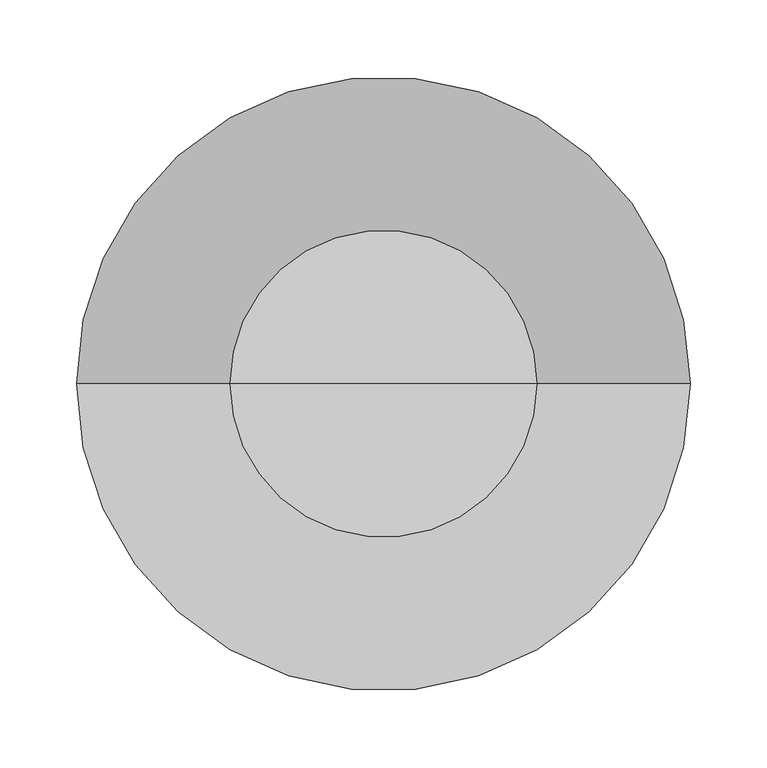
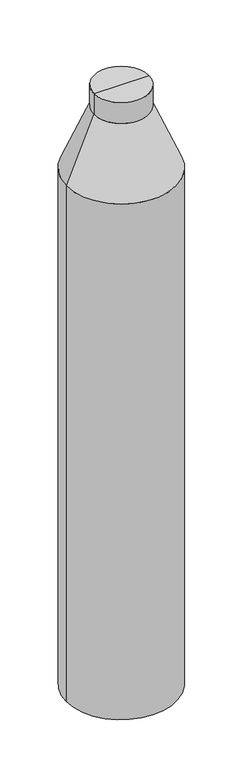
"""IFC4 building model written with IfcOpenShell, lengths in millimetres: column geometry."""

from ifc_helpers import new_model, si_unit, frame, origin, place, context, project, spatial, polyline, circle_curve, source, transform, mapped, element, save
from ifc_brep_helpers import plane_surface, cylinder_surface, revolved_surface, advanced_brep


def column_2cab5a3e(model_context):
    return source(origin(), model_context, "Body", "AdvancedBrep", [
        advanced_brep(
        [(-200.0, 0.0, -614.125), (-200.0, 0.0, -2599.125), (200.0, 0.0, -2599.125), (200.0, 0.0, -614.125), (0.0, 0.0, -2599.125), (-100.0, 0.0, -374.125), (100.0, 0.0, -374.125), (-100.0, 0.0, -294.125), (100.0, 0.0, -294.125), (0.0, 0.0, -294.125)],
        [
            (0, 1),
            (1, 2, circle_curve(frame((0.0, 0.0, -2599.125), z_axis=(0.0, 0.0, 1.0), x_axis=(1.0, 0.0, 0.0)), 200.0)),
            (2, 3),
            (3, 0, circle_curve(frame((0.0, 0.0, -614.125), z_axis=(0.0, 0.0, -1.0), x_axis=(1.0, 0.0, 0.0)), 200.0)),
            (1, 4),
            (4, 2),
            (1, 2, circle_curve(frame((0.0, 0.0, -2599.125), z_axis=(0.0, 0.0, -1.0), x_axis=(1.0, 0.0, 0.0)), 200.0)),
            (0, 3, circle_curve(frame((0.0, 0.0, -614.125), z_axis=(0.0, 0.0, -1.0), x_axis=(1.0, 0.0, 0.0)), 200.0)),
            (5, 0),
            (3, 6),
            (6, 5, circle_curve(frame((0.0, 0.0, -374.125), z_axis=(0.0, 0.0, -1.0), x_axis=(1.0, 0.0, 0.0)), 100.0)),
            (5, 6, circle_curve(frame((0.0, 0.0, -374.125), z_axis=(0.0, 0.0, -1.0), x_axis=(1.0, 0.0, 0.0)), 100.0)),
            (7, 5),
            (6, 8),
            (8, 7, circle_curve(frame((0.0, 0.0, -294.125), z_axis=(0.0, 0.0, -1.0), x_axis=(1.0, 0.0, 0.0)), 100.0)),
            (7, 8, circle_curve(frame((0.0, 0.0, -294.125), z_axis=(0.0, 0.0, -1.0), x_axis=(1.0, 0.0, 0.0)), 100.0)),
            (9, 7),
            (8, 9),
        ],
        [
            cylinder_surface(frame((0.0, 0.0, -652.8940014), z_axis=(0.0, 0.0, 1.0), x_axis=(1.0, 0.0, 0.0)), 200.0),
            plane_surface(frame((0.0, 0.0, -2599.125), z_axis=(0.0, 0.0, -1.0), x_axis=(1.0, 0.0, 0.0))),
            revolved_surface(polyline([(200.0, 0.0, -614.125), (100.0, 0.0, -374.125)]), (0.0, 0.0, -652.8940014), (0.0, 0.0, 1.0)),
            cylinder_surface(frame((0.0, 0.0, -652.8940014), z_axis=(0.0, 0.0, 1.0), x_axis=(1.0, 0.0, 0.0)), 100.0),
            plane_surface(frame((0.0, 0.0, -294.125), z_axis=(0.0, 0.0, 1.0), x_axis=(1.0, 0.0, 0.0))),
        ],
        [
            (0, [[1, 2, 3, 4]]),
            (1, [[5, 6, -2]]),
            (1, [[-6, -5, 7]]),
            (0, [[-3, -7, -1, 8]]),
            (2, [[9, -4, 10, 11]]),
            (2, [[-10, -8, -9, 12]]),
            (3, [[13, -11, 14, 15]]),
            (3, [[-14, -12, -13, 16]]),
            (4, [[17, -15, 18]]),
            (4, [[-18, -16, -17]]),
        ],
    ),
    ])


if __name__ == "__main__":
    model = new_model("IFC4")
    model_context = context("Model", 3, world=origin())
    ifc_project = project(units=[si_unit("LENGTHUNIT", "METRE", prefix="MILLI")], contexts=[model_context])
    site = spatial("IfcSite", under=ifc_project)
    building = spatial("IfcBuilding", under=site)
    placement = place(None, origin())
    column_shape = column_2cab5a3e(model_context)
    element("IfcColumn", 1, at=placement, inside=building, context=model_context, shape_type="MappedRepresentation", body=[
        mapped(column_shape, transform((0.0, 0.0, 0.0), x_axis=(1.0, 0.0, 0.0), y_axis=(0.0, 1.0, 0.0), z_axis=(0.0, 0.0, 1.0))),
    ])
    save(model, "model.ifc")
